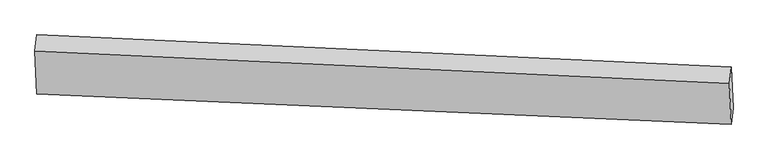
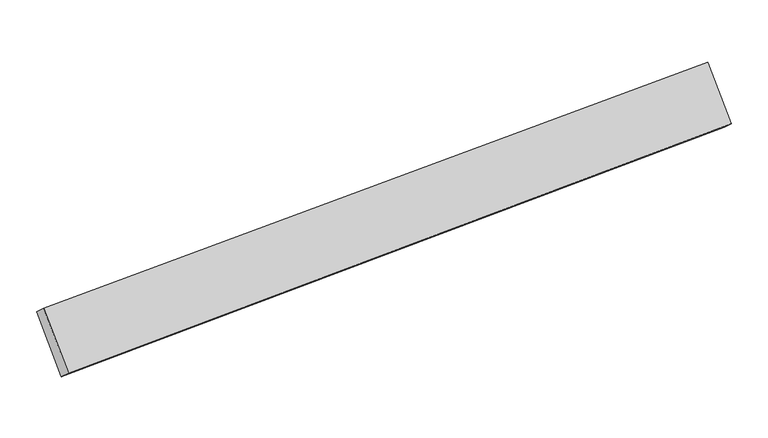
"""IFC4 building model written with IfcOpenShell, lengths in millimetres: proxy geometry."""

from ifc_helpers import new_model, si_unit, origin, place, context, project, spatial, faceted_brep, source, transform, mapped, element, save


def generic_models_f32b37db(model_context):
    return source(origin(), model_context, "Body", "Brep", [
        faceted_brep([(355.5446366, -956.0893575, 1877.0999597), (371.4479898, -1332.4788823, 1452.1680396), (-6059.4266778, -1052.418991, 908.2069107), (-6076.207016, -655.273593, 1356.571558), (353.7199129, -1485.1961818, 1586.7760867), (-6077.1345876, -1204.9625631, 1042.661831), (337.8165597, -1108.806657, 2011.7080068), (-6093.9149258, -807.8171651, 1491.0264783)], [[[0, 1, 2, 3]], [[1, 4, 5, 2]], [[4, 6, 7, 5]], [[6, 0, 3, 7]], [[3, 2, 5, 7]], [[0, 6, 4, 1]]]),
    ])


if __name__ == "__main__":
    model = new_model("IFC4")
    model_context = context("Model", 3, world=origin())
    ifc_project = project(units=[si_unit("LENGTHUNIT", "METRE", prefix="MILLI")], contexts=[model_context])
    site = spatial("IfcSite", under=ifc_project)
    building = spatial("IfcBuilding", under=site)
    placement = place(None, origin())
    generic_models_shape = generic_models_f32b37db(model_context)
    element("IfcBuildingElementProxy", 1, Name="Generic Models", at=placement, inside=building, context=model_context, shape_type="MappedRepresentation", body=[
        mapped(generic_models_shape, transform((0.0, 0.0, 0.0), x_axis=(1.0, 0.0, 0.0), y_axis=(0.0, 1.0, 0.0), z_axis=(0.0, 0.0, 1.0))),
    ])
    save(model, "model.ifc")
